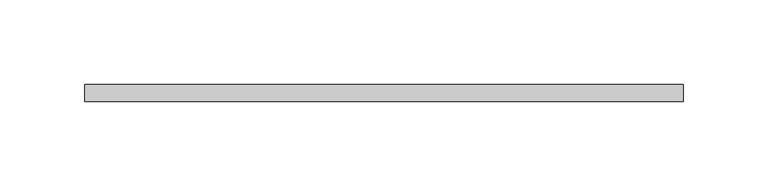
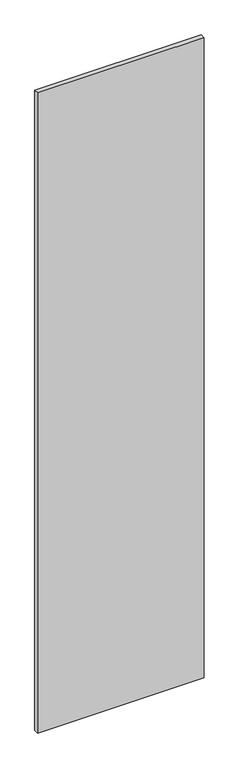
"""IFC4 building model written with IfcOpenShell, lengths in millimetres: plate geometry."""

from ifc_helpers import new_model, si_unit, origin, origin_with_axes, place, context, project, spatial, polyline, outline, extrude, source, transform, mapped, element, save


def plate_74590c32(model_context):
    return source(origin(), model_context, "Body", "SweptSolid", [
        extrude(outline(polyline([(176.0712115, -5.0), (-176.0712115, -5.0), (-176.0712115, 5.0), (176.0712115, 5.0), (176.0712115, -5.0)])), origin_with_axes(), (0.0, 0.0, 1.0), 1430.0),
    ])


if __name__ == "__main__":
    model = new_model("IFC4")
    model_context = context("Model", 3, world=origin())
    ifc_project = project(units=[si_unit("LENGTHUNIT", "METRE", prefix="MILLI")], contexts=[model_context])
    site = spatial("IfcSite", under=ifc_project)
    building = spatial("IfcBuilding", under=site)
    placement = place(None, origin())
    plate_shape = plate_74590c32(model_context)
    element("IfcPlate", 1, at=placement, inside=building, context=model_context, shape_type="MappedRepresentation", body=[
        mapped(plate_shape, transform((0.0, 0.0, 0.0), x_axis=(1.0, 0.0, 0.0), y_axis=(0.0, 1.0, 0.0), z_axis=(0.0, 0.0, 1.0))),
    ])
    save(model, "model.ifc")
